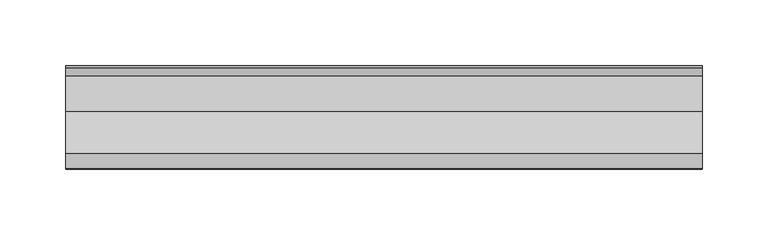
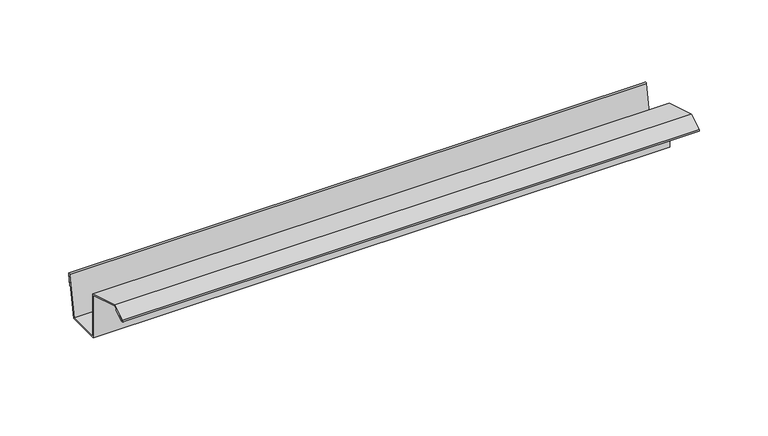
"""IFC4 building model written with IfcOpenShell, lengths in millimetres: proxy geometry."""

from ifc_helpers import new_model, si_unit, point, frame, frame_2d, origin, place, context, project, spatial, polyline, circle_curve, trimmed, segment, composite_curve, outline, extrude, source, transform, mapped, element, save


def generic_models_f89d6452(model_context):
    return source(origin(), model_context, "Body", "SweptSolid", [
        extrude(outline(composite_curve([segment(trimmed(circle_curve(frame_2d((78.0563904, 35.6880836)), 0.875), [point((77.1946836, 35.8400258))], [point((78.9180971, 35.5361415))], False, "CARTESIAN"), True, "CONTINUOUS"), segment(polyline([(78.9180971, 35.5361415), (77.1816154, 25.6880639), (76.3918631, 25.8151362), (77.9825298, 35.7011072), (71.6874829, 0.0001226), (43.1357531, 0.0001226), (43.1357531, 38.077608), (11.8315273, 47.5707806), (0.8405664, 41.0549207), (9.5008205, 46.0549207), (9.9008205, 45.3621004), (1.2385681, 40.3609466)]), True, "CONTINUOUS"), segment(trimmed(circle_curve(frame_2d((0.8260714, 41.0754118)), 0.8249933), [point((1.2385681, 40.3609466))], [point((0.4135747, 41.789877))], False, "CARTESIAN"), True, "CONTINUOUS"), segment(polyline([(0.4135747, 41.789877), (11.8596013, 48.3982435), (43.9357531, 38.6709803), (43.9357531, 0.8001226), (71.0162032, 0.8001226), (77.1946836, 35.8400258)]), True, "CONTINUOUS")], self_intersect=False)), frame((0.0, 0.0, 0.0), z_axis=(1.0, 0.0, 0.0), x_axis=(0.0, 1.0, 0.0)), (0.0, 0.0, 1.0), 485.1477558),
    ])


if __name__ == "__main__":
    model = new_model("IFC4")
    model_context = context("Model", 3, world=origin())
    ifc_project = project(units=[si_unit("LENGTHUNIT", "METRE", prefix="MILLI")], contexts=[model_context])
    site = spatial("IfcSite", under=ifc_project)
    building = spatial("IfcBuilding", under=site)
    placement = place(None, origin())
    generic_models_shape = generic_models_f89d6452(model_context)
    element("IfcBuildingElementProxy", 1, Name="Generic Models", at=placement, inside=building, context=model_context, shape_type="MappedRepresentation", body=[
        mapped(generic_models_shape, transform((0.0, 0.0, 0.0), x_axis=(1.0, 0.0, 0.0), y_axis=(0.0, 1.0, 0.0), z_axis=(0.0, 0.0, 1.0))),
    ])
    save(model, "model.ifc")
